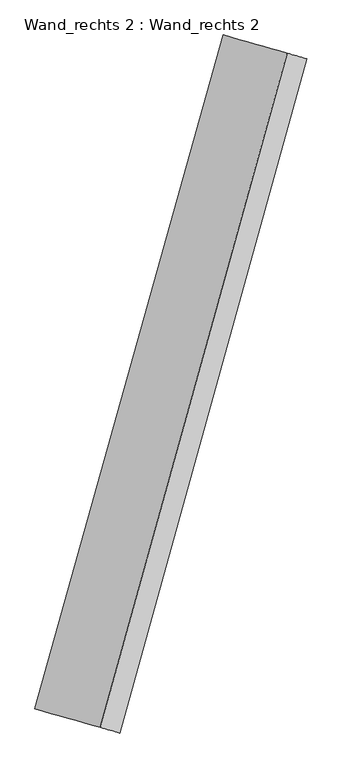
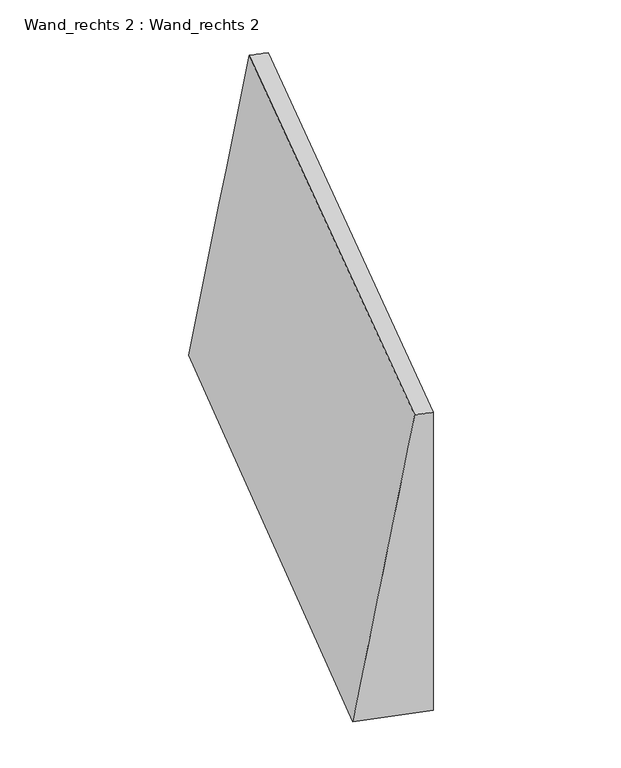
"""IFC4 building model written with IfcOpenShell, lengths in millimetres: proxy geometry, Wand_rechts 2 : Wand_rechts 2."""

from ifc_helpers import new_model, si_unit, frame, origin, place, context, project, spatial, source, transform, mapped, element, save
from ifc_brep_helpers import plane_surface, spline_surface, advanced_brep


def wand_rechts_2_wand_rechts_2_23da3c96(model_context):
    return source(origin(), model_context, "Body", "AdvancedBrep", [
        advanced_brep(
        [(4661.1937676, 11564.4077352, 6465.0), (4661.1937676, 11564.4077352, 0.0), (3228.2630864, 11972.6630196, 0.0), (4324.5889047, 11660.3095927, 6465.0), (1458.3625225, 0.0, 0.0), (1458.3625225, 0.0, 6615.0), (1121.7588027, 95.9058696, 6615.0), (0.0, 415.5198465, 0.0)],
        [
            (0, 1),
            (1, 2),
            (2, 3),
            (3, 0),
            (4, 5),
            (5, 6),
            (6, 7),
            (7, 4),
            (4, 1),
            (0, 5),
            (7, 2),
            (6, 3),
        ],
        [
            plane_surface(frame((4194.8308614, 11697.2788666, 2984.6870443), z_axis=(0.27400530718775107, 0.9617281797020125, 0.0), x_axis=(0.0, 0.0, 1.0))),
            plane_surface(frame((985.0856673, 134.847079, 3053.6663628), z_axis=(-0.2740167704205703, -0.9617249136464546, 0.0), x_axis=(0.0, 0.0, 1.0))),
            spline_surface(1, 1, [[(1458.3625225, 0.0, 6615.0), (4661.1937676, 11564.4077352, 6465.0)], [(1458.3625225, 0.0, 0.0), (4661.1937676, 11564.4077352, 0.0)]], [2, 2], [2, 2], [0.0, 1.0], [0.0, 1.0]),
            spline_surface(1, 1, [[(1458.3625225, 0.0, 0.0), (4661.1937676, 11564.4077352, 0.0)], [(0.0, 415.5198465, 0.0), (3228.2630864, 11972.6630196, 0.0)]], [2, 2], [2, 2], [0.0, 1.0], [0.0, 1.0]),
            spline_surface(1, 1, [[(0.0, 415.5198465, 0.0), (3228.2630864, 11972.6630196, 0.0)], [(1121.7588027, 95.9058696, 6615.0), (4324.5889047, 11660.3095927, 6465.0)]], [2, 2], [2, 2], [0.0, 1.0], [0.0, 1.0]),
            spline_surface(1, 1, [[(1121.7588027, 95.9058696, 6615.0), (4324.5889047, 11660.3095927, 6465.0)], [(1458.3625225, 0.0, 6615.0), (4661.1937676, 11564.4077352, 6465.0)]], [2, 2], [2, 2], [0.0, 1.0], [0.0, 1.0]),
        ],
        [
            (0, [[1, 2, 3, 4]]),
            (1, [[5, 6, 7, 8]]),
            (2, [[-5, 9, -1, 10]]),
            (3, [[-8, 11, -2, -9]]),
            (4, [[-7, 12, -3, -11]]),
            (5, [[-6, -10, -4, -12]]),
        ],
    ),
    ])


if __name__ == "__main__":
    model = new_model("IFC4")
    model_context = context("Model", 3, world=origin())
    ifc_project = project(units=[si_unit("LENGTHUNIT", "METRE", prefix="MILLI")], contexts=[model_context])
    site = spatial("IfcSite", under=ifc_project)
    building = spatial("IfcBuilding", under=site)
    placement = place(None, origin())
    wand_rechts_2_wand_rechts_2_shape = wand_rechts_2_wand_rechts_2_23da3c96(model_context)
    element("IfcBuildingElementProxy", 1, Name="Wand_rechts 2 : Wand_rechts 2", ObjectType="Wand_rechts 2 : Wand_rechts 2", at=placement, inside=building, context=model_context, shape_type="MappedRepresentation", body=[
        mapped(wand_rechts_2_wand_rechts_2_shape, transform((0.0, 0.0, 0.0), x_axis=(1.0, 0.0, 0.0), y_axis=(0.0, 1.0, 0.0), z_axis=(0.0, 0.0, 1.0))),
    ])
    save(model, "model.ifc")
